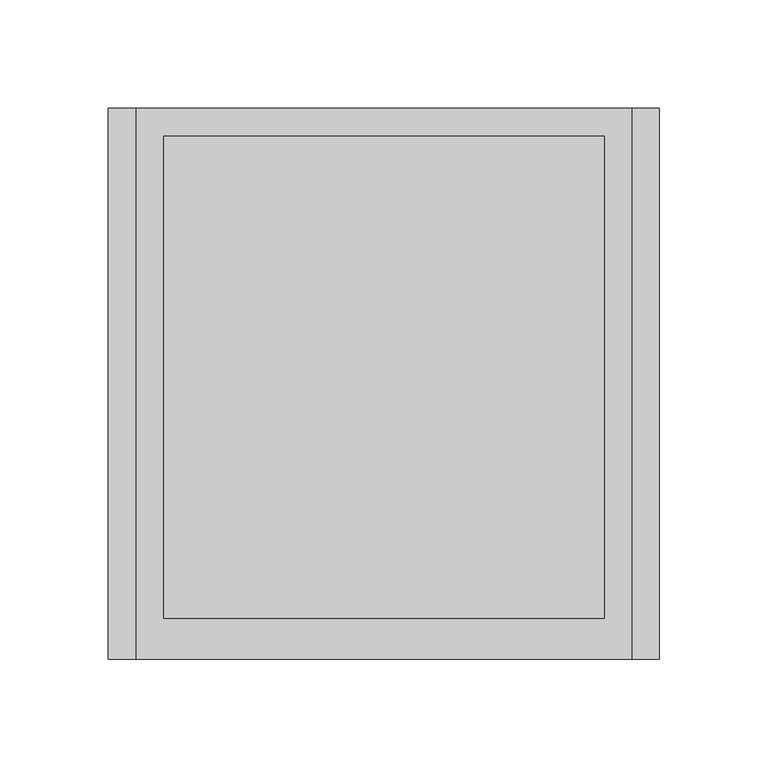
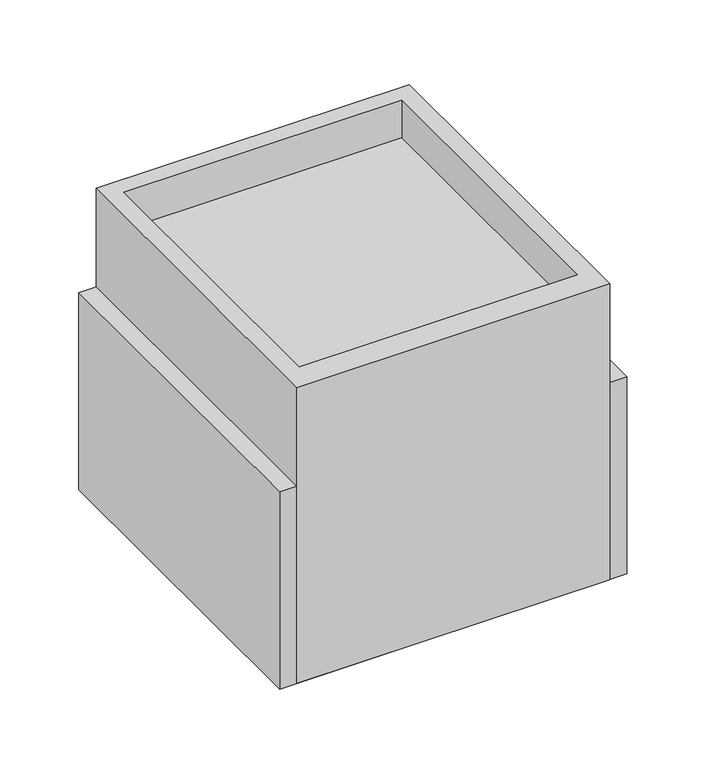
"""IFC4 building model written with IfcOpenShell, lengths in millimetres: proxy geometry."""

from ifc_helpers import new_model, si_unit, frame, origin, origin_with_axes, place, context, project, spatial, polyline, outline, extrude, faceted_brep, source, transform, mapped, element, save


def specialty_equipment_9d5b7cbf(model_context):
    return source(origin(), model_context, "Body", "SolidModel", [
        faceted_brep([(114.3, 254.0, 0.0), (-114.3, 254.0, 0.0), (-114.3, 254.0, 228.6), (114.3, 254.0, 228.6), (114.3, 0.0, 0.0), (114.3, 0.0, 228.6), (-114.3, 0.0, 228.6), (-114.3, 0.0, 0.0), (-101.6, 241.3, 228.6), (101.6, 241.3, 228.6), (101.6, 19.05, 228.6), (-101.6, 19.05, 228.6), (101.6, 241.3, 171.45), (-101.6, 241.3, 171.45), (101.6, 19.05, 171.45), (-101.6, 19.05, 171.45)], [[[0, 1, 2, 3]], [[4, 5, 6, 7]], [[1, 0, 4, 7]], [[2, 1, 7, 6]], [[3, 2, 6, 5], [8, 9, 10, 11]], [[0, 3, 5, 4]], [[12, 9, 8, 13]], [[14, 15, 11, 10]], [[12, 13, 15, 14]], [[13, 8, 11, 15]], [[9, 12, 14, 10]]]),
        extrude(outline(polyline([(-101.6, 241.3), (101.6, 241.3), (101.6, 19.05), (-101.6, 19.05), (-101.6, 241.3)])), frame((0.0, 0.0, 171.45), z_axis=(0.0, 0.0, 1.0), x_axis=(1.0, 0.0, 0.0)), (0.0, 0.0, 1.0), 28.575),
        extrude(outline(polyline([(127.0, 254.0), (127.0, 0.0), (-127.0, 0.0), (-127.0, 254.0), (127.0, 254.0)])), origin_with_axes(), (0.0, 0.0, 1.0), 152.4),
    ])


if __name__ == "__main__":
    model = new_model("IFC4")
    model_context = context("Model", 3, world=origin())
    ifc_project = project(units=[si_unit("LENGTHUNIT", "METRE", prefix="MILLI")], contexts=[model_context])
    site = spatial("IfcSite", under=ifc_project)
    building = spatial("IfcBuilding", under=site)
    placement = place(None, origin())
    specialty_equipment_shape = specialty_equipment_9d5b7cbf(model_context)
    element("IfcBuildingElementProxy", 1, Name="Specialty Equipment", at=placement, inside=building, context=model_context, shape_type="MappedRepresentation", body=[
        mapped(specialty_equipment_shape, transform((0.0, 0.0, 0.0), x_axis=(1.0, 0.0, 0.0), y_axis=(0.0, 1.0, 0.0), z_axis=(0.0, 0.0, 1.0))),
    ])
    save(model, "model.ifc")
